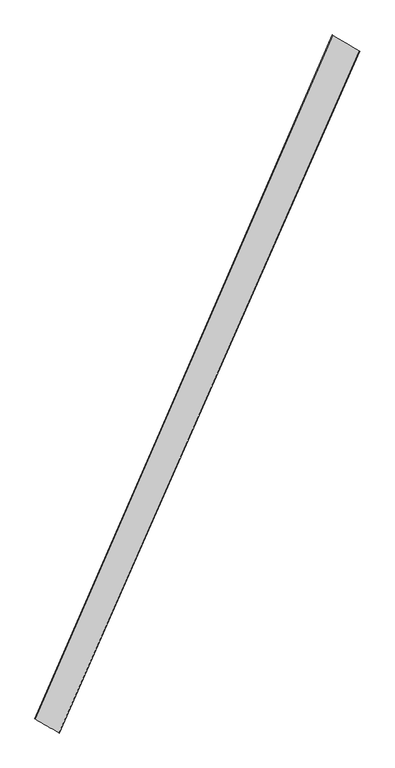
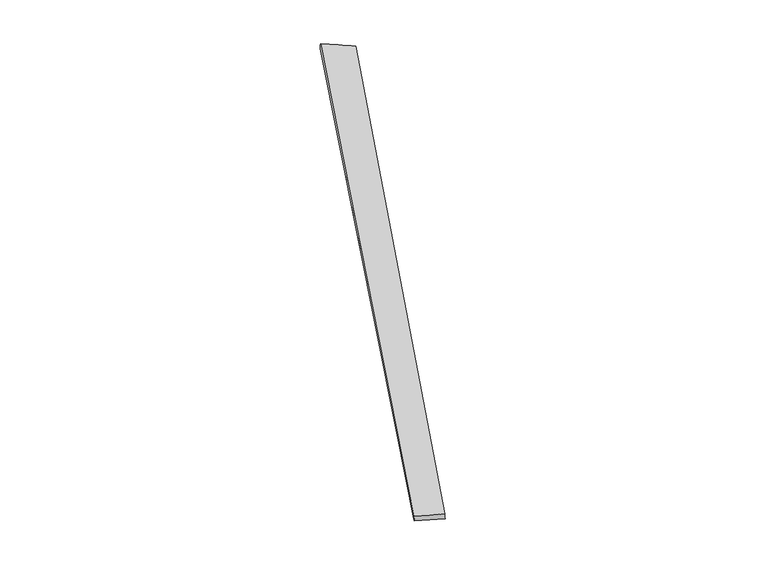
"""IFC4 building model written with IfcOpenShell, lengths in millimetres: proxy geometry."""

from ifc_helpers import new_model, si_unit, origin, place, context, project, spatial, source, transform, mapped, element, save
from ifc_brep_helpers import spline_surface, advanced_brep


def generic_models_9f1a947b(model_context):
    return source(origin(), model_context, "Body", "AdvancedBrep", [
        advanced_brep(
        [(-672.3108652, -1703.1875252, 6.6935175), (-670.3005259, -1704.1763567, -23.2227113), (959.2809849, 2000.9093245, -35.8538216), (961.3250315, 2000.1096558, -5.9342226), (-800.5701163, -1627.3667668, -36.5290238), (812.7698113, 2090.1191271, -24.0118766), (-803.4492899, -1626.2144092, -6.6897472), (814.4351236, 2089.2922786, 5.9304523)],
        [
            (0, 1),
            (1, 2),
            (2, 3),
            (3, 0),
            (1, 4),
            (4, 5),
            (5, 2),
            (4, 6),
            (6, 7),
            (7, 5),
            (6, 0),
            (3, 7),
        ],
        [
            spline_surface(1, 1, [[(-672.3108652, -1703.1875252, 6.6935175), (961.3250315, 2000.1096558, -5.9342226)], [(-670.3005259, -1704.1763567, -23.2227113), (959.2809849, 2000.9093245, -35.8538216)]], [2, 2], [2, 2], [0.0, 1.0], [0.0, 1.0]),
            spline_surface(1, 1, [[(-670.3005259, -1704.1763567, -23.2227113), (959.2809849, 2000.9093245, -35.8538216)], [(-800.5701163, -1627.3667668, -36.5290238), (812.7698113, 2090.1191271, -24.0118766)]], [2, 2], [2, 2], [0.0, 1.0], [0.0, 1.0]),
            spline_surface(1, 1, [[(-800.5701163, -1627.3667668, -36.5290238), (812.7698113, 2090.1191271, -24.0118766)], [(-803.4492899, -1626.2144092, -6.6897472), (814.4351236, 2089.2922786, 5.9304523)]], [2, 2], [2, 2], [0.0, 1.0], [0.0, 1.0]),
            spline_surface(1, 1, [[(-803.4492899, -1626.2144092, -6.6897472), (814.4351236, 2089.2922786, 5.9304523)], [(-672.3108652, -1703.1875252, 6.6935175), (961.3250315, 2000.1096558, -5.9342226)]], [2, 2], [2, 2], [0.0, 1.0], [0.0, 1.0]),
            spline_surface(1, 1, [[(959.2809849, 2000.9093245, -35.8538216), (961.3250315, 2000.1096558, -5.9342226)], [(812.7698113, 2090.1191271, -24.0118766), (814.4351236, 2089.2922786, 5.9304523)]], [2, 2], [2, 2], [0.0, 1.0], [0.0, 1.0]),
            spline_surface(1, 1, [[(-803.4492899, -1626.2144092, -6.6897472), (-672.3108652, -1703.1875252, 6.6935175)], [(-800.5701163, -1627.3667668, -36.5290238), (-670.3005259, -1704.1763567, -23.2227113)]], [2, 2], [2, 2], [0.0, 1.0], [0.0, 1.0]),
        ],
        [
            (0, [[1, 2, 3, 4]]),
            (1, [[5, 6, 7, -2]]),
            (2, [[8, 9, 10, -6]]),
            (3, [[11, -4, 12, -9]]),
            (4, [[-3, -7, -10, -12]]),
            (5, [[-11, -8, -5, -1]]),
        ],
    ),
    ])


if __name__ == "__main__":
    model = new_model("IFC4")
    model_context = context("Model", 3, world=origin())
    ifc_project = project(units=[si_unit("LENGTHUNIT", "METRE", prefix="MILLI")], contexts=[model_context])
    site = spatial("IfcSite", under=ifc_project)
    building = spatial("IfcBuilding", under=site)
    placement = place(None, origin())
    generic_models_shape = generic_models_9f1a947b(model_context)
    element("IfcBuildingElementProxy", 1, Name="Generic Models", at=placement, inside=building, context=model_context, shape_type="MappedRepresentation", body=[
        mapped(generic_models_shape, transform((0.0, 0.0, 0.0), x_axis=(1.0, 0.0, 0.0), y_axis=(0.0, 1.0, 0.0), z_axis=(0.0, 0.0, 1.0))),
    ])
    save(model, "model.ifc")
